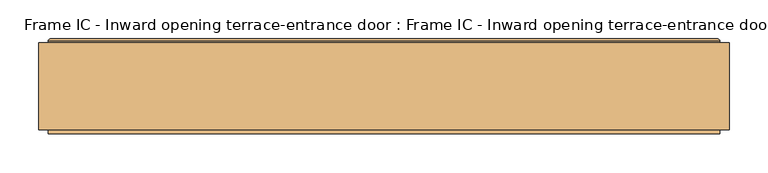
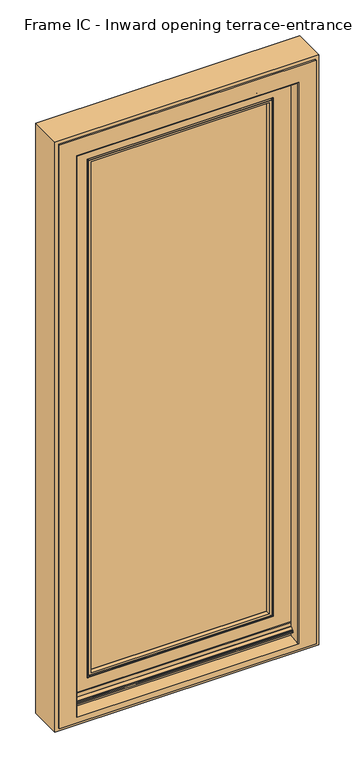
"""IFC4 building model written with IfcOpenShell, lengths in millimetres: door geometry, Frame IC - Inward opening terrace-entrance door : Frame IC - Inward opening terrace-entrance door."""

from ifc_helpers import new_model, si_unit, frame, origin, place, context, project, spatial, polyline, circle_curve, ellipse_curve, outline, extrude, source, transform, mapped, element, save
from ifc_brep_helpers import plane_surface, cylinder_surface, revolved_surface, advanced_brep


def frame_ic_inward_opening_terrace_entrance_door_frame_ic_87183e1a(model_context):
    return source(origin(), model_context, "Body", "SolidModel", [
        advanced_brep(
        [(296.9926597, -112.5932909, 1952.9926597), (296.9926597, -112.5932909, 141.0073403), (300.2949184, -123.3944925, 137.7050816), (300.2949184, -123.3944925, 1956.2949184), (296.9926597, -111.3944925, 1952.9926597), (296.9926597, -111.3944925, 141.0073403), (315.4090274, -63.4055023, 1971.4090274), (315.4090274, -63.4055023, 122.5909726), (321.3013344, -111.3944925, 116.6986656), (321.3013344, -111.3944925, 1977.3013344), (-296.9926597, -112.5932909, 141.0073403), (-296.9926597, -112.5932909, 1952.9926597), (-300.2949184, -123.3944925, 1956.2949184), (-300.2949184, -123.3944925, 137.7050816), (-296.9926597, -111.3944925, 141.0073403), (-296.9926597, -111.3944925, 1952.9926597), (-315.4090274, -63.4055023, 122.5909726), (-315.4090274, -63.4055023, 1971.4090274), (-321.3013344, -111.3944925, 1977.3013344), (-321.3013344, -111.3944925, 116.6986656), (297.0406737, -60.2055023, 1953.0406737), (297.0406737, -60.2055023, 140.9593263), (297.0406737, -63.4055023, 140.9593263), (297.0406737, -63.4055023, 1953.0406737), (298.8106909, -50.7817672, 1954.8106909), (298.8106909, -50.7817672, 139.1893091), (297.0625261, -58.9975906, 140.9374739), (297.0625261, -58.9975906, 1953.0625261), (301.7451337, -48.4055023, 1957.7451337), (301.7451337, -48.4055023, 136.2548663), (-297.0406737, -60.2055023, 140.9593263), (-297.0406737, -60.2055023, 1953.0406737), (-297.0406737, -63.4055023, 1953.0406737), (-297.0406737, -63.4055023, 140.9593263), (-298.8106909, -50.7817672, 139.1893091), (-298.8106909, -50.7817672, 1954.8106909), (-297.0625261, -58.9975906, 1953.0625261), (-297.0625261, -58.9975906, 140.9374739), (-301.7451337, -48.4055023, 136.2548663), (-301.7451337, -48.4055023, 1957.7451337), (-399.9121488, -49.8192542, 38.0878512), (-399.9121488, -49.8192542, 2055.9121488), (-398.0, -48.4055023, 2054.0), (-398.0, -48.4055023, 40.0), (-399.5001156, -52.7926158, 38.4998844), (-399.5001156, -52.7926158, 2055.5001156), (-375.3208306, -111.4055023, 2031.3208306), (-391.0, -93.3834811, 2047.0), (-391.0, -93.3834811, 47.0), (-375.3208306, -111.4055023, 62.6791694), (399.9121488, -49.8192542, 2055.9121488), (398.0, -48.4055023, 2054.0), (399.5001156, -52.7926158, 2055.5001156), (375.3208306, -111.4055023, 2031.3208306), (391.0, -93.3834811, 2047.0), (-375.3208306, -123.3944925, 2031.3208306), (375.3208306, -123.3944925, 2031.3208306), (399.9121488, -49.8192542, 38.0878512), (398.0, -48.4055023, 40.0), (399.5001156, -52.7926158, 38.4998844), (375.3208306, -111.4055023, 62.6791694), (391.0, -93.3834811, 47.0), (-404.5001156, -54.2102522, 33.4998844), (-404.5001156, -54.2102522, 2060.5001156), (-404.5001156, -52.7926158, 2060.5001156), (-404.5001156, -52.7926158, 33.4998844), (-399.203249, -54.2102522, 2055.203249), (-399.203249, -54.2102522, 38.796751), (404.5001156, -54.2102522, 2060.5001156), (404.5001156, -52.7926158, 2060.5001156), (399.203249, -54.2102522, 2055.203249), (404.5001156, -54.2102522, 33.4998844), (404.5001156, -52.7926158, 33.4998844), (399.203249, -54.2102522, 38.796751), (-298.0406737, -60.2055023, 139.9593263), (-298.0406737, -60.2055023, 1954.0406737), (298.0406737, -60.2055023, 1954.0406737), (298.0406737, -60.2055023, 139.9593263), (375.3208306, -96.9638323, 50.1149077), (-375.3208306, -96.9638323, 50.1149077), (-307.2579784, -123.3944925, 130.7420216), (307.2579784, -123.3944925, 130.7420216), (307.2579784, -123.3944925, 1963.2579784), (-307.2579784, -123.3944925, 1963.2579784), (375.3208306, -133.3944925, 60.4377015), (-375.3208306, -133.3944925, 60.4377015), (-375.3208306, -132.9680695, 61.2568531), (375.3208306, -132.9680695, 61.2568531), (375.3208306, -133.3944925, 55.002476), (-375.3208306, -133.3944925, 55.002476), (375.3208306, -135.1944925, 56.9924509), (-375.3208306, -135.1944925, 56.9924509), (375.3208306, -135.1944925, 60.4377015), (-375.3208306, -135.1944925, 60.4377015), (375.3208306, -134.0005083, 62.731326), (-375.3208306, -134.0005083, 62.731326), (375.3208306, -125.6209154, 69.1983724), (-375.3208306, -125.6209154, 69.1983724), (375.3208306, -125.1944925, 70.017524), (-375.3208306, -125.1944925, 70.017524), (375.3208306, -125.1944925, 83.002476), (-375.3208306, -125.1944925, 83.002476), (375.3208306, -123.6944925, 84.502476), (-375.3208306, -123.6944925, 84.502476), (375.3208306, -123.3944925, 84.502476), (-375.3208306, -123.3944925, 84.502476), (375.3208306, -125.5151289, 50.1149077), (-375.3208306, -125.5151289, 50.1149077), (375.3208306, -125.5151289, 46.1106378), (-375.3208306, -125.5151289, 46.1106378), (375.3208306, -126.56673, 46.1106378), (-375.3208306, -126.56673, 46.1106378), (375.3208306, -126.56673, 50.1149077), (-375.3208306, -126.56673, 50.1149077), (375.3208306, -128.7944925, 50.1149077), (-375.3208306, -128.7944925, 50.1149077), (375.3208306, -129.7944925, 51.1149077), (-375.3208306, -129.7944925, 51.1149077), (375.3208306, -129.7944925, 63.7060974), (-375.3208306, -129.7944925, 63.7060974), (312.7057372, -122.6555023, 1968.7057372), (312.7057372, -122.6555023, 125.2942628), (313.8233689, -123.3944925, 124.1766311), (313.8233689, -123.3944925, 1969.8233689), (308.3756102, -122.6555023, 1964.3756102), (308.3756102, -122.6555023, 129.6243898), (-312.7057372, -122.6555023, 125.2942628), (-313.8233689, -123.3944925, 124.1766311), (-308.3756102, -122.6555023, 129.6243898), (-312.7057372, -122.6555023, 1968.7057372), (-313.8233689, -123.3944925, 1969.8233689), (-308.3756102, -122.6555023, 1964.3756102)],
        [
            (0, 1),
            (1, 2),
            (2, 3),
            (3, 0),
            (0, 4),
            (4, 5),
            (5, 1),
            (6, 7),
            (7, 8),
            (8, 9),
            (9, 6),
            (10, 11),
            (11, 12),
            (12, 13),
            (13, 10),
            (10, 14),
            (14, 15),
            (15, 11),
            (16, 17),
            (17, 18),
            (18, 19),
            (19, 16),
            (3, 12),
            (11, 0),
            (15, 4),
            (9, 18),
            (17, 6),
            (20, 21),
            (21, 22),
            (22, 23),
            (23, 20),
            (24, 25),
            (25, 26),
            (26, 27),
            (27, 24),
            (24, 28, ellipse_curve(frame((301.7451337, -51.4055023, 1957.7451337), z_axis=(0.7071067811865475, 0.0, -0.7071067811865475), x_axis=(0.7071067811865474, 0.0, 0.7071067811865476)), 4.2426407, 3.0)),
            (28, 29),
            (29, 25, ellipse_curve(frame((301.7451337, -51.4055023, 136.2548663), z_axis=(0.7071067811865475, 0.0, 0.7071067811865475), x_axis=(-0.7071067811865474, 0.0, 0.7071067811865476)), 4.2426407, 3.0)),
            (30, 31),
            (31, 32),
            (32, 33),
            (33, 30),
            (34, 35),
            (35, 36),
            (36, 37),
            (37, 34),
            (34, 38, ellipse_curve(frame((-301.7451337, -51.4055023, 136.2548663), z_axis=(-0.7071067811865475, 0.0, 0.7071067811865475), x_axis=(-0.7071067811865474, 0.0, -0.7071067811865476)), 4.2426407, 3.0)),
            (38, 39),
            (39, 35, ellipse_curve(frame((-301.7451337, -51.4055023, 1957.7451337), z_axis=(-0.7071067811865475, 0.0, -0.7071067811865475), x_axis=(0.7071067811865474, 0.0, -0.7071067811865476)), 4.2426407, 3.0)),
            (23, 32),
            (31, 20),
            (27, 36),
            (35, 24),
            (39, 28),
            (40, 41),
            (41, 42, ellipse_curve(frame((-398.0, -50.4055023, 2054.0), z_axis=(-0.7071067811865475, 0.0, -0.7071067811865475), x_axis=(0.7071067811865474, 0.0, -0.7071067811865476)), 2.8284271, 2.0)),
            (42, 43),
            (43, 40, ellipse_curve(frame((-398.0, -50.4055023, 40.0), z_axis=(-0.7071067811865475, 0.0, 0.7071067811865475), x_axis=(-0.7071067811865474, 0.0, -0.7071067811865476)), 2.8284271, 2.0)),
            (40, 44),
            (44, 45),
            (45, 41),
            (46, 47),
            (47, 48),
            (48, 49),
            (49, 46),
            (41, 50),
            (50, 51, ellipse_curve(frame((398.0, -50.4055023, 2054.0), z_axis=(-0.7071067811865475, 0.0, 0.7071067811865475), x_axis=(-0.7071067811865476, 0.0, -0.7071067811865474)), 2.8284271, 2.0)),
            (51, 42),
            (45, 52),
            (52, 50),
            (46, 53),
            (53, 54),
            (54, 47),
            (55, 56),
            (56, 53),
            (46, 55),
            (50, 57),
            (57, 58, ellipse_curve(frame((398.0, -50.4055023, 40.0), z_axis=(0.7071067811865475, 0.0, 0.7071067811865475), x_axis=(-0.7071067811865474, 0.0, 0.7071067811865476)), 2.8284271, 2.0)),
            (58, 51),
            (52, 59),
            (59, 57),
            (60, 61),
            (61, 54),
            (53, 60),
            (62, 63),
            (63, 64),
            (64, 65),
            (65, 62),
            (47, 66),
            (66, 67),
            (67, 48),
            (63, 68),
            (68, 69),
            (69, 64),
            (54, 70),
            (70, 66),
            (68, 71),
            (71, 72),
            (72, 69),
            (61, 73),
            (73, 70),
            (16, 7),
            (22, 33),
            (21, 30),
            (74, 75),
            (75, 76),
            (76, 77),
            (77, 74),
            (25, 34),
            (37, 26),
            (29, 38),
            (58, 43),
            (57, 40),
            (59, 44),
            (72, 65),
            (71, 62),
            (73, 67),
            (61, 48),
            (60, 78),
            (78, 79),
            (79, 49),
            (80, 81),
            (81, 82),
            (82, 83),
            (83, 80),
            (2, 13),
            (1, 10),
            (5, 14),
            (8, 19),
            (26, 77, ellipse_curve(frame((298.0406737, -59.2055023, 139.9593263), z_axis=(0.7071067811865475, 0.0, 0.7071067811865475), x_axis=(-0.7071067811865474, 0.0, 0.7071067811865476)), 1.4142136, 1.0)),
            (76, 27, ellipse_curve(frame((298.0406737, -59.2055023, 1954.0406737), z_axis=(0.7071067811865475, 0.0, -0.7071067811865475), x_axis=(0.7071067811865474, 0.0, 0.7071067811865476)), 1.4142136, 1.0)),
            (37, 74, ellipse_curve(frame((-298.0406737, -59.2055023, 139.9593263), z_axis=(0.7071067811865475, 0.0, -0.7071067811865475), x_axis=(0.7071067811865476, 0.0, 0.7071067811865474)), 1.4142136, 1.0)),
            (36, 75, ellipse_curve(frame((-298.0406737, -59.2055023, 1954.0406737), z_axis=(-0.7071067811865475, 0.0, -0.7071067811865475), x_axis=(0.7071067811865474, 0.0, -0.7071067811865476)), 1.4142136, 1.0)),
            (84, 85),
            (85, 86, circle_curve(frame((-375.3208306, -132.3944925, 60.4377015), z_axis=(-1.0, 0.0, 0.0), x_axis=(0.0, -1.0, 0.0)), 1.0)),
            (86, 87),
            (87, 84, circle_curve(frame((375.3208306, -132.3944925, 60.4377015), z_axis=(1.0, 0.0, 0.0), x_axis=(0.0, -1.0, 0.0)), 1.0)),
            (88, 89),
            (89, 85),
            (84, 88),
            (90, 91),
            (91, 89, circle_curve(frame((-375.3208306, -135.3944925, 55.002476), z_axis=(1.0, 0.0, 0.0), x_axis=(0.0, -1.0, 0.0)), 2.0)),
            (88, 90, circle_curve(frame((375.3208306, -135.3944925, 55.002476), z_axis=(-1.0, 0.0, 0.0), x_axis=(0.0, -1.0, 0.0)), 2.0)),
            (92, 93),
            (93, 91),
            (90, 92),
            (94, 95),
            (95, 93, circle_curve(frame((-375.3208306, -132.3944925, 60.4377015), z_axis=(1.0, 0.0, 0.0), x_axis=(0.0, -1.0, 0.0)), 2.8)),
            (92, 94, circle_curve(frame((375.3208306, -132.3944925, 60.4377015), z_axis=(-1.0, 0.0, 0.0), x_axis=(0.0, -1.0, 0.0)), 2.8)),
            (96, 97),
            (97, 95),
            (94, 96),
            (98, 99),
            (99, 97, circle_curve(frame((-375.3208306, -126.1944925, 70.017524), z_axis=(-1.0, 0.0, 0.0), x_axis=(0.0, -1.0, 0.0)), 1.0)),
            (96, 98, circle_curve(frame((375.3208306, -126.1944925, 70.017524), z_axis=(1.0, 0.0, 0.0), x_axis=(0.0, -1.0, 0.0)), 1.0)),
            (100, 101),
            (101, 99),
            (98, 100),
            (102, 103),
            (103, 101, circle_curve(frame((-375.3208306, -123.6944925, 83.002476), z_axis=(1.0, 0.0, 0.0), x_axis=(0.0, -1.0, 0.0)), 1.5)),
            (100, 102, circle_curve(frame((375.3208306, -123.6944925, 83.002476), z_axis=(-1.0, 0.0, 0.0), x_axis=(0.0, -1.0, 0.0)), 1.5)),
            (102, 104),
            (104, 105),
            (105, 103),
            (106, 107),
            (107, 79),
            (78, 106),
            (108, 109),
            (109, 107),
            (106, 108),
            (110, 111),
            (111, 109),
            (108, 110),
            (112, 113),
            (113, 111),
            (110, 112),
            (114, 115),
            (115, 113),
            (112, 114),
            (116, 117),
            (117, 115, circle_curve(frame((-375.3208306, -128.7944925, 51.1149077), z_axis=(1.0, 0.0, 0.0), x_axis=(0.0, -1.0, 0.0)), 1.0)),
            (114, 116, circle_curve(frame((375.3208306, -128.7944925, 51.1149077), z_axis=(-1.0, 0.0, 0.0), x_axis=(0.0, -1.0, 0.0)), 1.0)),
            (118, 119),
            (119, 117),
            (116, 118),
            (86, 119),
            (118, 87),
            (56, 104),
            (105, 55),
            (120, 121),
            (121, 122, ellipse_curve(frame((314.0047753, -121.9055023, 123.9952247), z_axis=(0.7071067811865475, 0.0, 0.7071067811865475), x_axis=(-0.7071067811865474, 0.0, 0.7071067811865476)), 2.1213203, 1.5)),
            (122, 123),
            (123, 120, ellipse_curve(frame((314.0047753, -121.9055023, 1970.0047753), z_axis=(0.7071067811865475, 0.0, -0.7071067811865475), x_axis=(0.7071067811865474, 0.0, 0.7071067811865476)), 2.1213203, 1.5)),
            (120, 124, ellipse_curve(frame((310.5406737, -123.9055023, 1966.5406737), z_axis=(-0.7071067811865475, 0.0, 0.7071067811865475), x_axis=(-0.7071067811865474, 0.0, -0.7071067811865476)), 3.5355339, 2.5)),
            (124, 125),
            (125, 121, ellipse_curve(frame((310.5406737, -123.9055023, 127.4593263), z_axis=(-0.7071067811865475, 0.0, -0.7071067811865475), x_axis=(0.7071067811865474, 0.0, -0.7071067811865476)), 3.5355339, 2.5)),
            (81, 125, ellipse_curve(frame((307.0765721, -121.9055023, 130.9234279), z_axis=(0.7071067811865475, 0.0, 0.7071067811865475), x_axis=(-0.7071067811865474, 0.0, 0.7071067811865476)), 2.1213203, 1.5)),
            (124, 82, ellipse_curve(frame((307.0765721, -121.9055023, 1963.0765721), z_axis=(0.7071067811865475, 0.0, -0.7071067811865475), x_axis=(0.7071067811865474, 0.0, 0.7071067811865476)), 2.1213203, 1.5)),
            (121, 126),
            (126, 127, ellipse_curve(frame((-314.0047753, -121.9055023, 123.9952247), z_axis=(0.7071067811865475, 0.0, -0.7071067811865475), x_axis=(0.7071067811865476, 0.0, 0.7071067811865474)), 2.1213203, 1.5)),
            (127, 122),
            (125, 128),
            (128, 126, ellipse_curve(frame((-310.5406737, -123.9055023, 127.4593263), z_axis=(-0.7071067811865475, 0.0, 0.7071067811865475), x_axis=(-0.7071067811865476, 0.0, -0.7071067811865474)), 3.5355339, 2.5)),
            (80, 128, ellipse_curve(frame((-307.0765721, -121.9055023, 130.9234279), z_axis=(0.7071067811865475, 0.0, -0.7071067811865475), x_axis=(0.7071067811865476, 0.0, 0.7071067811865474)), 2.1213203, 1.5)),
            (126, 129),
            (129, 130, ellipse_curve(frame((-314.0047753, -121.9055023, 1970.0047753), z_axis=(-0.7071067811865475, 0.0, -0.7071067811865475), x_axis=(0.7071067811865474, 0.0, -0.7071067811865476)), 2.1213203, 1.5)),
            (130, 127),
            (128, 131),
            (131, 129, ellipse_curve(frame((-310.5406737, -123.9055023, 1966.5406737), z_axis=(0.7071067811865475, 0.0, 0.7071067811865475), x_axis=(-0.7071067811865474, 0.0, 0.7071067811865476)), 3.5355339, 2.5)),
            (83, 131, ellipse_curve(frame((-307.0765721, -121.9055023, 1963.0765721), z_axis=(-0.7071067811865475, 0.0, -0.7071067811865475), x_axis=(0.7071067811865474, 0.0, -0.7071067811865476)), 2.1213203, 1.5)),
            (130, 123),
            (129, 120),
            (131, 124),
        ],
        [
            plane_surface(frame((300.2949184, -123.3944925, 1956.2949184), z_axis=(-0.9563047559629781, -0.2923717047229243, 0.0), x_axis=(0.0, 0.0, -1.0))),
            plane_surface(frame((296.9926597, -112.5932909, 1952.9926597), z_axis=(-1.0, 0.0, 0.0), x_axis=(0.0, 0.0, -1.0))),
            plane_surface(frame((321.3013344, -111.3944925, 1977.3013344), z_axis=(-0.9925461516413226, -0.12186934340514295, 0.0), x_axis=(0.0, 0.0, -1.0))),
            plane_surface(frame((-300.2949184, -123.3944925, 137.7050816), z_axis=(0.9563047559629781, -0.2923717047229243, 0.0), x_axis=(0.0, 0.0, 1.0))),
            plane_surface(frame((-296.9926597, -112.5932909, 141.0073403), z_axis=(1.0, 0.0, 0.0), x_axis=(0.0, 0.0, 1.0))),
            plane_surface(frame((-321.3013344, -111.3944925, 116.6986656), z_axis=(0.9925461516413226, -0.12186934340514295, 0.0), x_axis=(0.0, 0.0, 1.0))),
            plane_surface(frame((-300.2949184, -123.3944925, 1956.2949184), z_axis=(0.0, -0.2923717047229243, -0.9563047559629781), x_axis=(1.0, 0.0, 0.0))),
            plane_surface(frame((-296.9926597, -112.5932909, 1952.9926597), z_axis=(0.0, 0.0, -1.0), x_axis=(1.0, 0.0, 0.0))),
            plane_surface(frame((-321.3013344, -111.3944925, 1977.3013344), z_axis=(0.0, -0.12186934340514295, -0.9925461516413226), x_axis=(1.0, 0.0, 0.0))),
            plane_surface(frame((297.0406737, -63.4055023, 1953.0406737), z_axis=(-1.0, 0.0, 0.0), x_axis=(0.0, 0.0, -1.0))),
            plane_surface(frame((297.0625261, -58.9975906, 1953.0625261), z_axis=(-0.9781030866126861, 0.20812100316579396, 0.0), x_axis=(0.0, 0.0, -1.0))),
            cylinder_surface(frame((301.7451337, -51.4055023, 2047.0), z_axis=(0.0, 0.0, 1.0), x_axis=(0.0, 1.0, 0.0)), 3.0),
            plane_surface(frame((-297.0406737, -63.4055023, 140.9593263), z_axis=(1.0, 0.0, 0.0), x_axis=(0.0, 0.0, 1.0))),
            plane_surface(frame((-297.0625261, -58.9975906, 140.9374739), z_axis=(0.9781030866126861, 0.20812100316579396, 0.0), x_axis=(0.0, 0.0, 1.0))),
            cylinder_surface(frame((-301.7451337, -51.4055023, 47.0), z_axis=(0.0, 0.0, -1.0), x_axis=(0.0, 1.0, 0.0)), 3.0),
            plane_surface(frame((-297.0406737, -63.4055023, 1953.0406737), z_axis=(0.0, 0.0, -1.0), x_axis=(1.0, 0.0, 0.0))),
            plane_surface(frame((-297.0625261, -58.9975906, 1953.0625261), z_axis=(0.0, 0.20812100316579396, -0.9781030866126861), x_axis=(1.0, 0.0, 0.0))),
            cylinder_surface(frame((-391.0, -51.4055023, 1957.7451337), z_axis=(-1.0, 0.0, 0.0), x_axis=(0.0, 1.0, 0.0)), 3.0),
            cylinder_surface(frame((-398.0, -50.4055023, 47.0), z_axis=(0.0, 0.0, -1.0), x_axis=(0.0, 1.0, 0.0)), 2.0),
            plane_surface(frame((-399.9121488, -49.8192542, 38.0878512), z_axis=(-0.9905346082141253, -0.13726321404545822, 0.0), x_axis=(0.0, 0.0, 1.0))),
            plane_surface(frame((-391.0, -93.3834811, 47.0), z_axis=(-0.7544428510124654, -0.6563657399317723, 0.0), x_axis=(0.0, 0.0, 1.0))),
            cylinder_surface(frame((-391.0, -50.4055023, 2054.0), z_axis=(-1.0, 0.0, 0.0), x_axis=(0.0, 1.0, 0.0)), 2.0),
            plane_surface(frame((-399.9121488, -49.8192542, 2055.9121488), z_axis=(0.0, -0.13726321404545822, 0.9905346082141253), x_axis=(1.0, 0.0, 0.0))),
            plane_surface(frame((-391.0, -93.3834811, 2047.0), z_axis=(0.0, -0.6563657399317723, 0.7544428510124654), x_axis=(1.0, 0.0, 0.0))),
            plane_surface(frame((-375.3208306, -111.4055023, 2031.3208306), z_axis=(0.0, 0.0, 1.0), x_axis=(1.0, 0.0, 0.0))),
            cylinder_surface(frame((398.0, -50.4055023, 2047.0), z_axis=(0.0, 0.0, 1.0), x_axis=(0.0, 1.0, 0.0)), 2.0),
            plane_surface(frame((399.9121488, -49.8192542, 2055.9121488), z_axis=(0.9905346082141253, -0.13726321404545822, 0.0), x_axis=(0.0, 0.0, -1.0))),
            plane_surface(frame((391.0, -93.3834811, 2047.0), z_axis=(0.7544428510124654, -0.6563657399317723, 0.0), x_axis=(0.0, 0.0, -1.0))),
            plane_surface(frame((-404.5001156, -52.7926158, 33.4998844), z_axis=(-1.0, 0.0, 0.0), x_axis=(0.0, 0.0, 1.0))),
            plane_surface(frame((-399.203249, -54.2102522, 38.796751), z_axis=(-0.9787695724707861, -0.20496371387480936, 0.0), x_axis=(0.0, 0.0, 1.0))),
            plane_surface(frame((-404.5001156, -52.7926158, 2060.5001156), z_axis=(0.0, 0.0, 1.0), x_axis=(1.0, 0.0, 0.0))),
            plane_surface(frame((-399.203249, -54.2102522, 2055.203249), z_axis=(0.0, -0.20496371387480936, 0.9787695724707861), x_axis=(1.0, 0.0, 0.0))),
            plane_surface(frame((404.5001156, -52.7926158, 2060.5001156), z_axis=(1.0, 0.0, 0.0), x_axis=(0.0, 0.0, -1.0))),
            plane_surface(frame((399.203249, -54.2102522, 2055.203249), z_axis=(0.9787695724707861, -0.20496371387480936, 0.0), x_axis=(0.0, 0.0, -1.0))),
            plane_surface(frame((315.4090274, -63.4055023, 122.5909726), z_axis=(0.0, -1.0, 0.0), x_axis=(-1.0, 0.0, 0.0))),
            plane_surface(frame((297.0406737, -63.4055023, 140.9593263), z_axis=(0.0, 0.0, 1.0), x_axis=(-1.0, 0.0, 0.0))),
            plane_surface(frame((297.0406737, -60.2055023, 140.9593263), z_axis=(0.0, 1.0, 0.0), x_axis=(-1.0, 0.0, 0.0))),
            plane_surface(frame((297.0625261, -58.9975906, 140.9374739), z_axis=(0.0, 0.20812100316579396, 0.9781030866126861), x_axis=(-1.0, 0.0, 0.0))),
            cylinder_surface(frame((391.0, -51.4055023, 136.2548663), z_axis=(1.0, 0.0, 0.0), x_axis=(0.0, 1.0, 0.0)), 3.0),
            plane_surface(frame((301.7451337, -48.4055023, 136.2548663), z_axis=(0.0, 1.0, 0.0), x_axis=(-1.0, 0.0, 0.0))),
            cylinder_surface(frame((391.0, -50.4055023, 40.0), z_axis=(1.0, 0.0, 0.0), x_axis=(0.0, 1.0, 0.0)), 2.0),
            plane_surface(frame((399.9121488, -49.8192542, 38.0878512), z_axis=(0.0, -0.13726321404545822, -0.9905346082141253), x_axis=(-1.0, 0.0, 0.0))),
            plane_surface(frame((399.5001156, -52.7926158, 38.4998844), z_axis=(0.0, 1.0, 0.0), x_axis=(-1.0, 0.0, 0.0))),
            plane_surface(frame((404.5001156, -52.7926158, 33.4998844), z_axis=(0.0, 0.0, -1.0), x_axis=(-1.0, 0.0, 0.0))),
            plane_surface(frame((404.5001156, -54.2102522, 33.4998844), z_axis=(0.0, -1.0, 0.0), x_axis=(-1.0, 0.0, 0.0))),
            plane_surface(frame((399.203249, -54.2102522, 38.796751), z_axis=(0.0, -0.20496371387480936, -0.9787695724707861), x_axis=(-1.0, 0.0, 0.0))),
            plane_surface(frame((391.0, -93.3834811, 47.0), z_axis=(0.0, -0.6563657399317723, -0.7544428510124654), x_axis=(-1.0, 0.0, 0.0))),
            plane_surface(frame((307.2579784, -123.3944925, 130.7420216), z_axis=(0.0, -1.0, 0.0), x_axis=(-1.0, 0.0, 0.0))),
            plane_surface(frame((300.2949184, -123.3944925, 137.7050816), z_axis=(0.0, -0.2923717047229243, 0.9563047559629781), x_axis=(-1.0, 0.0, 0.0))),
            plane_surface(frame((296.9926597, -112.5932909, 141.0073403), z_axis=(0.0, 0.0, 1.0), x_axis=(-1.0, 0.0, 0.0))),
            plane_surface(frame((296.9926597, -111.3944925, 141.0073403), z_axis=(0.0, 1.0, 0.0), x_axis=(-1.0, 0.0, 0.0))),
            plane_surface(frame((321.3013344, -111.3944925, 116.6986656), z_axis=(0.0, -0.12186934340514295, 0.9925461516413226), x_axis=(-1.0, 0.0, 0.0))),
            cylinder_surface(frame((298.0406737, -59.2055023, 2047.0), z_axis=(0.0, 0.0, 1.0), x_axis=(0.0, 1.0, 0.0)), 1.0),
            cylinder_surface(frame((391.0, -59.2055023, 139.9593263), z_axis=(1.0, 0.0, 0.0), x_axis=(0.0, 1.0, 0.0)), 1.0),
            cylinder_surface(frame((-298.0406737, -59.2055023, 47.0), z_axis=(0.0, 0.0, -1.0), x_axis=(0.0, 1.0, 0.0)), 1.0),
            cylinder_surface(frame((-391.0, -59.2055023, 1954.0406737), z_axis=(-1.0, 0.0, 0.0), x_axis=(0.0, 1.0, 0.0)), 1.0),
            revolved_surface(polyline([(-375.3208306, -133.3944925, 60.4377015), (375.3208306, -133.3944925, 60.4377015)]), (-375.3208306, -132.3944925, 60.4377015), (-1.0, 0.0, 0.0)),
            plane_surface(frame((375.3208306, -133.3944925, 60.4377015), z_axis=(0.0, 1.0, 0.0), x_axis=(-1.0, 0.0, 0.0))),
            cylinder_surface(frame((-375.3208306, -135.3944925, 55.002476), z_axis=(1.0, 0.0, 0.0), x_axis=(0.0, -1.0, 0.0)), 2.0),
            plane_surface(frame((375.3208306, -135.1944925, 56.9924509), z_axis=(0.0, -1.0, 0.0), x_axis=(-1.0, 0.0, 0.0))),
            cylinder_surface(frame((-375.3208306, -132.3944925, 60.4377015), z_axis=(1.0, 0.0, 0.0), x_axis=(0.0, -1.0, 0.0)), 2.8),
            plane_surface(frame((375.3208306, -134.0005083, 62.731326), z_axis=(0.0, -0.6109686302761946, 0.7916548066035036), x_axis=(-1.0, 0.0, 0.0))),
            revolved_surface(polyline([(-375.3208306, -127.1944925, 70.017524), (375.3208306, -127.1944925, 70.017524)]), (-375.3208306, -126.1944925, 70.017524), (-1.0, 0.0, 0.0)),
            plane_surface(frame((375.3208306, -125.1944925, 70.017524), z_axis=(0.0, -1.0, 0.0), x_axis=(-1.0, 0.0, 0.0))),
            cylinder_surface(frame((-375.3208306, -123.6944925, 83.002476), z_axis=(1.0, 0.0, 0.0), x_axis=(0.0, -1.0, 0.0)), 1.5),
            plane_surface(frame((375.3208306, -123.6944925, 84.502476), z_axis=(0.0, 0.0, 1.0), x_axis=(-1.0, 0.0, 0.0))),
            plane_surface(frame((375.3208306, -96.9638323, 50.1149077), z_axis=(0.0, 0.0, -1.0), x_axis=(-1.0, 0.0, 0.0))),
            plane_surface(frame((375.3208306, -125.5151289, 50.1149077), z_axis=(0.0, 1.0, 0.0), x_axis=(-1.0, 0.0, 0.0))),
            plane_surface(frame((375.3208306, -125.5151289, 46.1106378), z_axis=(0.0, 0.0, -1.0), x_axis=(-1.0, 0.0, 0.0))),
            plane_surface(frame((375.3208306, -126.56673, 46.1106378), z_axis=(0.0, -1.0, 0.0), x_axis=(-1.0, 0.0, 0.0))),
            plane_surface(frame((375.3208306, -126.56673, 50.1149077), z_axis=(0.0, 0.0, -1.0), x_axis=(-1.0, 0.0, 0.0))),
            cylinder_surface(frame((-375.3208306, -128.7944925, 51.1149077), z_axis=(1.0, 0.0, 0.0), x_axis=(0.0, -1.0, 0.0)), 1.0),
            plane_surface(frame((375.3208306, -129.7944925, 51.1149077), z_axis=(0.0, -1.0, 0.0), x_axis=(-1.0, 0.0, 0.0))),
            plane_surface(frame((375.3208306, -129.7944925, 63.7060974), z_axis=(0.0, 0.6109686302761956, -0.7916548066035027), x_axis=(-1.0, 0.0, 0.0))),
            plane_surface(frame((375.3208306, -133.3944925, 60.4377015), z_axis=(1.0, 0.0, 0.0), x_axis=(0.0, 0.0, -1.0))),
            plane_surface(frame((-375.3208306, -133.3944925, 60.4377015), z_axis=(-1.0, 0.0, 0.0), x_axis=(0.0, 0.0, 1.0))),
            cylinder_surface(frame((314.0047753, -121.9055023, 2047.0), z_axis=(0.0, 0.0, 1.0), x_axis=(0.0, 1.0, 0.0)), 1.5),
            revolved_surface(polyline([(310.5406737, -121.4055023, 124.95932630419497), (310.5406737, -121.4055023, 1969.040673695805)]), (310.5406737, -123.9055023, 2047.0), (0.0, 0.0, -1.0)),
            cylinder_surface(frame((307.0765721, -121.9055023, 2047.0), z_axis=(0.0, 0.0, 1.0), x_axis=(0.0, 1.0, 0.0)), 1.5),
            cylinder_surface(frame((391.0, -121.9055023, 123.9952247), z_axis=(1.0, 0.0, 0.0), x_axis=(0.0, 1.0, 0.0)), 1.5),
            revolved_surface(polyline([(-313.040673695805, -121.4055023, 127.4593263), (313.0406736958049, -121.4055023, 127.4593263)]), (391.0, -123.9055023, 127.4593263), (-1.0, 0.0, 0.0)),
            cylinder_surface(frame((391.0, -121.9055023, 130.9234279), z_axis=(1.0, 0.0, 0.0), x_axis=(0.0, 1.0, 0.0)), 1.5),
            cylinder_surface(frame((-314.0047753, -121.9055023, 47.0), z_axis=(0.0, 0.0, -1.0), x_axis=(0.0, 1.0, 0.0)), 1.5),
            revolved_surface(polyline([(-310.5406737, -121.4055023, 1969.040673695805), (-310.5406737, -121.4055023, 124.95932630419509)]), (-310.5406737, -123.9055023, 47.0), (0.0, 0.0, 1.0)),
            cylinder_surface(frame((-307.0765721, -121.9055023, 47.0), z_axis=(0.0, 0.0, -1.0), x_axis=(0.0, 1.0, 0.0)), 1.5),
            plane_surface(frame((-375.3208306, -123.3944925, 2031.3208306), z_axis=(0.0, -1.0, 0.0), x_axis=(1.0, 0.0, 0.0))),
            cylinder_surface(frame((-391.0, -121.9055023, 1970.0047753), z_axis=(-1.0, 0.0, 0.0), x_axis=(0.0, 1.0, 0.0)), 1.5),
            revolved_surface(polyline([(313.040673695805, -121.4055023, 1966.5406737), (-313.0406736958049, -121.4055023, 1966.5406737)]), (-391.0, -123.9055023, 1966.5406737), (1.0, 0.0, 0.0)),
            cylinder_surface(frame((-391.0, -121.9055023, 1963.0765721), z_axis=(-1.0, 0.0, 0.0), x_axis=(0.0, 1.0, 0.0)), 1.5),
        ],
        [
            (0, [[1, 2, 3, 4]]),
            (1, [[5, 6, 7, -1]]),
            (2, [[8, 9, 10, 11]]),
            (3, [[12, 13, 14, 15]]),
            (4, [[16, 17, 18, -12]]),
            (5, [[19, 20, 21, 22]]),
            (6, [[23, -13, 24, -4]]),
            (7, [[-24, -18, 25, -5]]),
            (8, [[26, -20, 27, -11]]),
            (9, [[28, 29, 30, 31]]),
            (10, [[32, 33, 34, 35]]),
            (11, [[36, 37, 38, -32]]),
            (12, [[39, 40, 41, 42]]),
            (13, [[43, 44, 45, 46]]),
            (14, [[47, 48, 49, -43]]),
            (15, [[50, -40, 51, -31]]),
            (16, [[52, -44, 53, -35]]),
            (17, [[-53, -49, 54, -36]]),
            (18, [[55, 56, 57, 58]]),
            (19, [[59, 60, 61, -55]]),
            (20, [[62, 63, 64, 65]]),
            (21, [[66, 67, 68, -56]]),
            (22, [[69, 70, -66, -61]]),
            (23, [[71, 72, 73, -62]]),
            (24, [[74, 75, -71, 76]]),
            (25, [[77, 78, 79, -67]]),
            (26, [[80, 81, -77, -70]]),
            (27, [[82, 83, -72, 84]]),
            (28, [[85, 86, 87, 88]]),
            (29, [[89, 90, 91, -63]]),
            (30, [[92, 93, 94, -86]]),
            (31, [[95, 96, -89, -73]]),
            (32, [[97, 98, 99, -93]]),
            (33, [[100, 101, -95, -83]]),
            (34, [[-27, -19, 102, -8], [103, -41, -50, -30]]),
            (35, [[104, -42, -103, -29]]),
            (36, [[105, 106, 107, 108], [-51, -39, -104, -28]]),
            (37, [[109, -46, 110, -33]]),
            (38, [[111, -47, -109, -38]]),
            (39, [[-68, -79, 112, -57], [-54, -48, -111, -37]]),
            (40, [[-112, -78, 113, -58]]),
            (41, [[-113, -81, 114, -59]]),
            (42, [[-94, -99, 115, -87], [-114, -80, -69, -60]]),
            (43, [[-115, -98, 116, -88]]),
            (44, [[-116, -97, -92, -85], [-96, -101, 117, -90]]),
            (45, [[-117, -100, 118, -91]]),
            (46, [[-118, -82, 119, 120, 121, -64]]),
            (47, [[122, 123, 124, 125], [126, -14, -23, -3]]),
            (48, [[127, -15, -126, -2]]),
            (49, [[128, -16, -127, -7]]),
            (50, [[129, -21, -26, -10], [-25, -17, -128, -6]]),
            (51, [[-102, -22, -129, -9]]),
            (52, [[130, -107, 131, -34]]),
            (53, [[-130, -110, 132, -108]]),
            (54, [[133, -105, -132, -45]]),
            (55, [[-131, -106, -133, -52]]),
            (56, [[134, 135, 136, 137]]),
            (57, [[138, 139, -134, 140]]),
            (58, [[141, 142, -138, 143]]),
            (59, [[144, 145, -141, 146]]),
            (60, [[147, 148, -144, 149]]),
            (61, [[150, 151, -147, 152]]),
            (62, [[153, 154, -150, 155]]),
            (63, [[156, 157, -153, 158]]),
            (64, [[159, 160, -156, 161]]),
            (65, [[162, 163, 164, -159]]),
            (66, [[165, 166, -120, 167]]),
            (67, [[168, 169, -165, 170]]),
            (68, [[171, 172, -168, 173]]),
            (69, [[174, 175, -171, 176]]),
            (70, [[177, 178, -174, 179]]),
            (71, [[180, 181, -177, 182]]),
            (72, [[183, 184, -180, 185]]),
            (73, [[-136, 186, -183, 187]]),
            (74, [[-187, -185, -182, -179, -176, -173, -170, -167, -119, -84, -75, 188, -162, -161, -158, -155, -152, -149, -146, -143, -140, -137]]),
            (75, [[-135, -139, -142, -145, -148, -151, -154, -157, -160, -164, 189, -76, -65, -121, -166, -169, -172, -175, -178, -181, -184, -186]]),
            (76, [[190, 191, 192, 193]]),
            (77, [[194, 195, 196, -190]]),
            (78, [[197, -195, 198, -123]]),
            (79, [[199, 200, 201, -191]]),
            (80, [[202, 203, -199, -196]]),
            (81, [[204, -202, -197, -122]]),
            (82, [[205, 206, 207, -200]]),
            (83, [[208, 209, -205, -203]]),
            (84, [[210, -208, -204, -125]]),
            (85, [[-189, -163, -188, -74], [-201, -207, 211, -192]]),
            (86, [[-211, -206, 212, -193]]),
            (87, [[-212, -209, 213, -194]]),
            (88, [[-198, -213, -210, -124]]),
        ],
    ),
        extrude(outline(polyline([(367.9491592, -63.4055023), (367.9491592, -111.4055023), (-367.9491592, -111.4055023), (-367.9491592, -63.4055023), (367.9491592, -63.4055023)])), frame((0.0, 0.0, 76.0508408), z_axis=(0.0, 0.0, 1.0), x_axis=(1.0, 0.0, 0.0)), (0.0, 0.0, 1.0), 1947.8983184),
        advanced_brep(
        [(432.0, -167.0, 12.0), (-432.0, -167.0, 12.0), (-432.0, -48.0000005, 12.0), (-428.9999995, -45.0, 12.0), (-410.3909547, -45.0, 12.0), (-407.4133163, -47.634392, 12.0), (-406.7857488, -52.745519, 12.0), (-406.7857488, -45.0, 12.0), (409.2941294, -45.0, 12.0), (409.2941294, -45.2076938, 12.0), (410.3909547, -45.0, 12.0), (428.9999995, -45.0, 12.0), (432.0, -48.0000005, 12.0), (432.0, -48.0000005, 2088.0), (432.0, -167.0, 2088.0), (428.9999995, -45.0, 2084.9999995), (410.3909547, -45.0, 2066.3909547), (-410.3909547, -45.0, 2066.3909547), (-428.9999995, -45.0, 2084.9999995), (409.2941294, -45.2076938, 31.0108848), (407.4133163, -47.634392, 31.1380626), (407.4133163, -47.634392, 2063.4133163), (409.2941294, -45.0, 31.0), (-406.7857488, -45.0, 31.0), (-406.7857488, -52.745519, 31.4059255), (-401.6568628, -94.5169433, 2057.6568628), (-401.6568628, -94.5169433, 33.595073), (-407.4133163, -47.634392, 2063.4133163), (-432.0, -48.0000005, 2088.0), (-432.0, -167.0, 2088.0), (373.9, -167.0, 2029.9), (373.9, -167.0, 31.0), (-373.9, -167.0, 31.0), (-373.9, -167.0, 2029.9), (371.9, -165.0, 2027.9), (371.9, -165.0, 31.2455691), (371.9, -127.2109894, 35.8854762), (381.9999997, -127.2109894, 35.8854762), (381.9999997, -124.0, 36.2797361), (-381.9999997, -124.0, 36.2797361), (-381.9999997, -127.2109894, 35.8854762), (-371.9, -127.2109894, 35.8854762), (-371.9, -165.0, 31.2455691), (371.9, -127.2109894, 2027.9), (-371.9, -165.0, 2027.9), (401.6568628, -94.5169433, 33.595073), (401.6568628, -94.5169433, 2057.6568628), (-385.5883815, -108.0, 34.3016901), (385.5883815, -108.0, 34.3016901), (385.5883815, -108.0, 46.0), (381.9999997, -111.0110098, 46.0), (381.9999997, -111.0110098, 2037.9999997), (381.9999997, -124.0, 46.0), (381.9999997, -127.2109894, 2037.9999997), (-385.5883815, -108.0, 46.0), (-381.9999997, -111.0110098, 46.0), (-381.9999997, -124.0, 46.0), (-371.9, -127.2109894, 2027.9), (-381.9999997, -127.2109894, 2037.9999997), (-381.9999997, -111.0110098, 2037.9999997)],
        [
            (0, 1),
            (1, 2),
            (2, 3, circle_curve(frame((-428.9999995, -48.0000005, 12.0), z_axis=(0.0, 0.0, -1.0), x_axis=(1.0, 0.0, 0.0)), 3.0000005)),
            (3, 4),
            (4, 5, circle_curve(frame((-410.3909547, -48.0, 12.0), z_axis=(0.0, 0.0, -1.0), x_axis=(1.0, 0.0, 0.0)), 3.0)),
            (5, 6),
            (6, 7),
            (7, 8),
            (8, 9),
            (9, 10, circle_curve(frame((410.3909547, -48.0, 12.0), z_axis=(0.0, 0.0, -1.0), x_axis=(-1.0, 0.0, 0.0)), 3.0)),
            (10, 11),
            (11, 12, circle_curve(frame((428.9999995, -48.0000005, 12.0), z_axis=(0.0, 0.0, -1.0), x_axis=(-1.0, 0.0, 0.0)), 3.0000005)),
            (12, 0),
            (12, 13),
            (13, 14),
            (14, 0),
            (11, 15),
            (15, 13, ellipse_curve(frame((428.9999995, -48.0000005, 2084.9999995), z_axis=(0.7071067811865475, 0.0, -0.7071067811865475), x_axis=(-0.7071067811865474, 0.0, -0.7071067811865476)), 4.2426414, 3.0000005)),
            (10, 16),
            (16, 17),
            (17, 4),
            (3, 18),
            (18, 15),
            (9, 19),
            (19, 20, ellipse_curve(frame((410.3909547, -48.0, 31.1572233), z_axis=(0.0, 0.052335956243001476, 0.9986295347545708), x_axis=(0.0, 0.9986295347545707, -0.05233595624300119)), 3.004117, 3.0)),
            (20, 21),
            (21, 16, ellipse_curve(frame((410.3909547, -48.0, 2066.3909547), z_axis=(0.7071067811865475, 0.0, -0.7071067811865475), x_axis=(-0.7071067811865474, 0.0, -0.7071067811865476)), 4.2426407, 3.0)),
            (22, 19),
            (8, 22),
            (23, 22),
            (7, 23),
            (6, 24),
            (24, 23),
            (25, 26),
            (26, 24),
            (5, 27),
            (27, 25),
            (17, 27, ellipse_curve(frame((-410.3909547, -48.0, 2066.3909547), z_axis=(-0.7071067811865475, 0.0, -0.7071067811865475), x_axis=(-0.7071067811865474, 0.0, 0.7071067811865476)), 4.2426407, 3.0)),
            (2, 28),
            (28, 18, ellipse_curve(frame((-428.9999995, -48.0000005, 2084.9999995), z_axis=(-0.7071067811865475, 0.0, -0.7071067811865475), x_axis=(-0.7071067811865474, 0.0, 0.7071067811865476)), 4.2426414, 3.0000005)),
            (1, 29),
            (29, 28),
            (14, 29),
            (30, 31),
            (31, 32),
            (32, 33),
            (33, 30),
            (34, 35),
            (35, 31, ellipse_curve(frame((373.9, -165.0, 31.2455691), z_axis=(0.0, -0.12186934340521603, 0.9925461516413137), x_axis=(0.0, -0.9925461516413138, -0.12186934340521513)), 2.0150197, 2.0)),
            (30, 34, ellipse_curve(frame((373.9, -165.0, 2029.9), z_axis=(0.7071067811865475, 0.0, -0.7071067811865475), x_axis=(-0.7071067811865474, 0.0, -0.7071067811865476)), 2.8284271, 2.0)),
            (35, 36),
            (36, 37),
            (37, 38),
            (38, 39),
            (39, 40),
            (40, 41),
            (41, 42),
            (42, 32, ellipse_curve(frame((-373.9, -165.0, 31.2455691), z_axis=(0.0, 0.12186934340521603, -0.9925461516413137), x_axis=(0.0, 0.9925461516413138, 0.12186934340521513)), 2.0150197, 2.0)),
            (43, 36),
            (34, 43),
            (42, 44),
            (44, 33, ellipse_curve(frame((-373.9, -165.0, 2029.9), z_axis=(-0.7071067811865475, 0.0, -0.7071067811865475), x_axis=(-0.7071067811865474, 0.0, 0.7071067811865476)), 2.8284271, 2.0)),
            (20, 45),
            (45, 46),
            (46, 21),
            (26, 47),
            (47, 48),
            (48, 45),
            (48, 49),
            (49, 50),
            (50, 51),
            (51, 46),
            (50, 52),
            (52, 38),
            (37, 53),
            (53, 51),
            (54, 55),
            (55, 56),
            (56, 52),
            (49, 54),
            (47, 54),
            (43, 57),
            (57, 41),
            (40, 58),
            (58, 53),
            (56, 39),
            (55, 59),
            (59, 58),
            (57, 44),
            (25, 59),
            (44, 34),
            (13, 28),
            (21, 27),
            (46, 25),
            (51, 59),
        ],
        [
            plane_surface(frame((432.0, -177.0, 12.0), z_axis=(0.0, 0.0, -1.0), x_axis=(0.0, 1.0, 0.0))),
            plane_surface(frame((432.0, -167.0, 12.0), z_axis=(1.0, 0.0, 0.0), x_axis=(0.0, 0.0, 1.0))),
            cylinder_surface(frame((428.9999995, -48.0000005, 12.0), z_axis=(0.0, 0.0, -1.0), x_axis=(-1.0, 0.0, 0.0)), 3.0000005),
            plane_surface(frame((428.9999995, -45.0, 12.0), z_axis=(0.0, 1.0, 0.0), x_axis=(0.0, 0.0, 1.0))),
            cylinder_surface(frame((410.3909547, -48.0, 12.0), z_axis=(0.0, 0.0, -1.0), x_axis=(-1.0, 0.0, 0.0)), 3.0),
            plane_surface(frame((409.2941294, -45.0, 31.0), z_axis=(1.0, 0.0, 0.0), x_axis=(0.0, 0.0, -1.0))),
            plane_surface(frame((-406.7857488, -45.0, 12.0), z_axis=(0.0, 1.0, 0.0), x_axis=(1.0, 0.0, 0.0))),
            plane_surface(frame((-406.7857488, -45.0, 31.0), z_axis=(-1.0, 0.0, 0.0), x_axis=(0.0, 0.0, 1.0))),
            plane_surface(frame((-407.4133163, -47.634392, 2063.4133163), z_axis=(0.9925461516413231, 0.12186934340513969, 0.0), x_axis=(0.0, 0.0, -1.0))),
            cylinder_surface(frame((-410.3909547, -48.0, 2088.0), z_axis=(0.0, 0.0, 1.0), x_axis=(1.0, 0.0, 0.0)), 3.0),
            cylinder_surface(frame((-428.9999995, -48.0000005, 2088.0), z_axis=(0.0, 0.0, 1.0), x_axis=(1.0, 0.0, 0.0)), 3.0000005),
            plane_surface(frame((-432.0, -167.0, 2088.0), z_axis=(-1.0, 0.0, 0.0), x_axis=(0.0, 0.0, -1.0))),
            plane_surface(frame((373.9, -167.0, 12.0), z_axis=(0.0, -1.0, 0.0), x_axis=(0.0, 0.0, 1.0))),
            cylinder_surface(frame((373.9, -165.0, 12.0), z_axis=(0.0, 0.0, -1.0), x_axis=(-1.0, 0.0, 0.0)), 2.0),
            plane_surface(frame((-406.7857488, -124.0, 36.2797361), z_axis=(0.0, -0.12186934340521603, 0.9925461516413137), x_axis=(1.0, 0.0, 0.0))),
            plane_surface(frame((371.9, -127.2109894, 12.0), z_axis=(-1.0, 0.0, 0.0), x_axis=(0.0, 0.0, 1.0))),
            cylinder_surface(frame((-373.9, -165.0, 2088.0), z_axis=(0.0, 0.0, 1.0), x_axis=(1.0, 0.0, 0.0)), 2.0),
            plane_surface(frame((407.4133163, -47.634392, 12.0), z_axis=(-0.9925461516413239, 0.12186934340513329, 0.0), x_axis=(0.0, 0.0, 1.0))),
            plane_surface(frame((-406.7857488, -45.0, 31.0), z_axis=(0.0, 0.052335956243001476, 0.9986295347545708), x_axis=(1.0, 0.0, 0.0))),
            plane_surface(frame((401.6568628, -94.5169433, 12.0), z_axis=(-0.6427876096865404, 0.7660444431189771, 0.0), x_axis=(0.0, 0.0, 1.0))),
            plane_surface(frame((381.9999997, -111.0110098, 12.0), z_axis=(-1.0, 0.0, 0.0), x_axis=(0.0, 0.0, 1.0))),
            plane_surface(frame((-406.7857488, -108.0, 46.0), z_axis=(0.0, 0.0, 1.0), x_axis=(1.0, 0.0, 0.0))),
            plane_surface(frame((-406.7857488, -108.0, 34.3016901), z_axis=(0.0, 1.0, 0.0), x_axis=(1.0, 0.0, 0.0))),
            plane_surface(frame((381.9999997, -127.2109894, 12.0), z_axis=(0.0, 1.0, 0.0), x_axis=(0.0, 0.0, 1.0))),
            plane_surface(frame((-406.7857488, -124.0, 46.0), z_axis=(0.0, -1.0, 0.0), x_axis=(1.0, 0.0, 0.0))),
            plane_surface(frame((-381.9999997, -111.0110098, 2037.9999997), z_axis=(1.0, 0.0, 0.0), x_axis=(0.0, 0.0, -1.0))),
            plane_surface(frame((-371.9, -127.2109894, 2027.9), z_axis=(1.0, 0.0, 0.0), x_axis=(0.0, 0.0, -1.0))),
            plane_surface(frame((-401.6568628, -94.5169433, 2057.6568628), z_axis=(0.6427876096865355, 0.7660444431189813, 0.0), x_axis=(0.0, 0.0, -1.0))),
            cylinder_surface(frame((432.0, -165.0, 2029.9), z_axis=(1.0, 0.0, 0.0), x_axis=(0.0, 0.0, -1.0)), 2.0),
            plane_surface(frame((432.0, -167.0, 2088.0), z_axis=(0.0, 0.0, 1.0), x_axis=(-1.0, 0.0, 0.0))),
            cylinder_surface(frame((432.0, -48.0000005, 2084.9999995), z_axis=(1.0, 0.0, 0.0), x_axis=(0.0, 0.0, -1.0)), 3.0000005),
            cylinder_surface(frame((432.0, -48.0, 2066.3909547), z_axis=(1.0, 0.0, 0.0), x_axis=(0.0, 0.0, -1.0)), 3.0),
            plane_surface(frame((407.4133163, -47.634392, 2063.4133163), z_axis=(0.0, 0.12186934340513648, -0.9925461516413234), x_axis=(-1.0, 0.0, 0.0))),
            plane_surface(frame((401.6568628, -94.5169433, 2057.6568628), z_axis=(0.0, 0.7660444431189792, -0.6427876096865379), x_axis=(-1.0, 0.0, 0.0))),
            plane_surface(frame((381.9999997, -111.0110098, 2037.9999997), z_axis=(0.0, 0.0, -1.0), x_axis=(-1.0, 0.0, 0.0))),
            plane_surface(frame((371.9, -127.2109894, 2027.9), z_axis=(0.0, 0.0, -1.0), x_axis=(-1.0, 0.0, 0.0))),
        ],
        [
            (0, [[1, 2, 3, 4, 5, 6, 7, 8, 9, 10, 11, 12, 13]]),
            (1, [[14, 15, 16, -13]]),
            (2, [[17, 18, -14, -12]]),
            (3, [[19, 20, 21, -4, 22, 23, -17, -11]]),
            (4, [[-10, 24, 25, 26, 27, -19]]),
            (5, [[28, -24, -9, 29]]),
            (6, [[30, -29, -8, 31]]),
            (7, [[-7, 32, 33, -31]]),
            (8, [[34, 35, -32, -6, 36, 37]]),
            (9, [[-21, 38, -36, -5]]),
            (10, [[39, 40, -22, -3]]),
            (11, [[41, 42, -39, -2]]),
            (12, [[-16, 43, -41, -1], [44, 45, 46, 47]]),
            (13, [[48, 49, -44, 50]]),
            (14, [[-49, 51, 52, 53, 54, 55, 56, 57, 58, -45]]),
            (15, [[59, -51, -48, 60]]),
            (16, [[-46, -58, 61, 62]]),
            (17, [[-26, 63, 64, 65]]),
            (18, [[-33, -35, 66, 67, 68, -63, -25, -28, -30]]),
            (19, [[-64, -68, 69, 70, 71, 72]]),
            (20, [[-71, 73, 74, -53, 75, 76]]),
            (21, [[77, 78, 79, -73, -70, 80]]),
            (22, [[81, -80, -69, -67]]),
            (23, [[-75, -52, -59, 82, 83, -56, 84, 85]]),
            (24, [[86, -54, -74, -79]]),
            (25, [[-84, -55, -86, -78, 87, 88]]),
            (26, [[-61, -57, -83, 89]]),
            (27, [[-87, -77, -81, -66, -34, 90]]),
            (28, [[-47, -62, 91, -50]]),
            (29, [[-15, 92, -42, -43]]),
            (30, [[-23, -40, -92, -18]]),
            (31, [[-27, 93, -38, -20]]),
            (32, [[94, -37, -93, -65]]),
            (33, [[95, -90, -94, -72]]),
            (34, [[-85, -88, -95, -76]]),
            (35, [[-60, -91, -89, -82]]),
        ],
    ),
        extrude(outline(polyline([(2100.0, 444.0), (2100.0, -444.0), (0.0, -444.0), (0.0, 444.0), (2100.0, 444.0)]), holes=[polyline([(2088.0, -432.0), (2088.0, 432.0), (12.0, 432.0), (12.0, -432.0), (2088.0, -432.0)])]), frame((0.0, -162.0, 0.0), z_axis=(0.0, 1.0, 0.0), x_axis=(0.0, 0.0, 1.0)), (0.0, 0.0, 1.0), 112.0),
    ])


if __name__ == "__main__":
    model = new_model("IFC4")
    model_context = context("Model", 3, world=origin())
    ifc_project = project(units=[si_unit("LENGTHUNIT", "METRE", prefix="MILLI")], contexts=[model_context])
    site = spatial("IfcSite", under=ifc_project)
    building = spatial("IfcBuilding", under=site)
    placement = place(None, origin())
    frame_ic_inward_opening_terrace_entrance_door_frame_ic_shape = frame_ic_inward_opening_terrace_entrance_door_frame_ic_87183e1a(model_context)
    element("IfcDoor", 1, ObjectType="Frame IC - Inward opening terrace-entrance door : Frame IC - Inward opening terrace-entrance door", at=placement, inside=building, context=model_context, shape_type="MappedRepresentation", body=[
        mapped(frame_ic_inward_opening_terrace_entrance_door_frame_ic_shape, transform((0.0, 0.0, 0.0), x_axis=(1.0, 0.0, 0.0), y_axis=(0.0, 1.0, 0.0), z_axis=(0.0, 0.0, 1.0))),
    ])
    save(model, "model.ifc")
